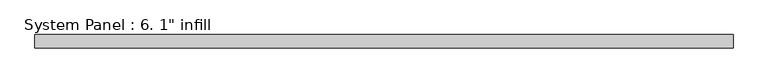
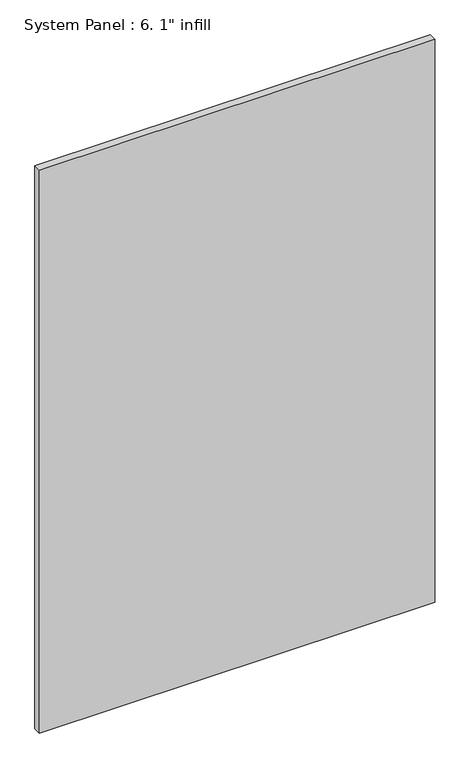
"""IFC4 building model written with IfcOpenShell, lengths in millimetres: plate geometry."""

from ifc_helpers import new_model, si_unit, origin, origin_with_axes, place, context, project, spatial, polyline, outline, extrude, source, transform, mapped, element, save


def plate_e07527db(model_context):
    return source(origin(), model_context, "Body", "SweptSolid", [
        extrude(outline(polyline([(669.925, -12.7), (-669.925, -12.7), (-669.925, 12.7), (669.925, 12.7), (669.925, -12.7)])), origin_with_axes(), (0.0, 0.0, 1.0), 2016.4020682),
    ])


if __name__ == "__main__":
    model = new_model("IFC4")
    model_context = context("Model", 3, world=origin())
    ifc_project = project(units=[si_unit("LENGTHUNIT", "METRE", prefix="MILLI")], contexts=[model_context])
    site = spatial("IfcSite", under=ifc_project)
    building = spatial("IfcBuilding", under=site)
    placement = place(None, origin())
    plate_shape = plate_e07527db(model_context)
    element("IfcPlate", 1, ObjectType="System Panel : 6. 1\" infill", at=placement, inside=building, context=model_context, shape_type="MappedRepresentation", body=[
        mapped(plate_shape, transform((0.0, 0.0, 0.0), x_axis=(1.0, 0.0, 0.0), y_axis=(0.0, 1.0, 0.0), z_axis=(0.0, 0.0, 1.0))),
    ])
    save(model, "model.ifc")
